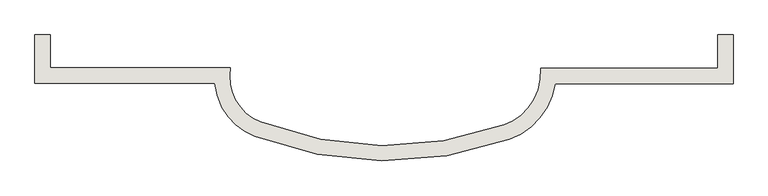
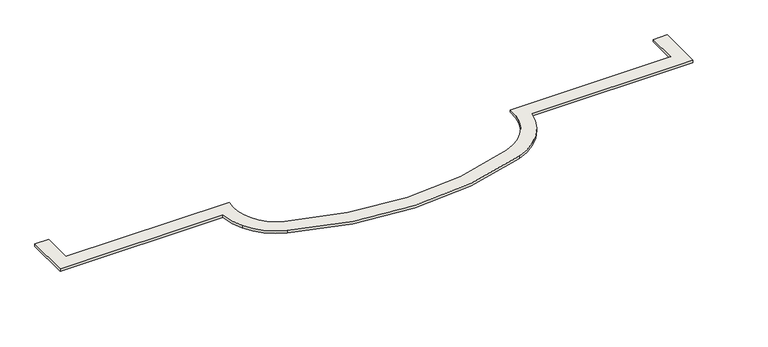
"""IFC4 building model written with IfcOpenShell, lengths in millimetres: wall geometry."""

from ifc_helpers import new_model, si_unit, point, frame, frame_2d, origin, place, context, project, spatial, polyline, circle_curve, trimmed, segment, composite_curve, outline, extrude, source, transform, mapped, element, save


def wall_85a489dc(model_context):
    return source(origin(), model_context, "Body", "SweptSolid", [
        extrude(outline(composite_curve([segment(trimmed(circle_curve(frame_2d((2030.7110004, 108294.2187902)), 1154.6073602), [point((3038.7036307, 107731.1299752))], [point((3181.9452306, 108382.4112137))], True, "CARTESIAN"), True, "CONTINUOUS"), segment(polyline([(3181.9452306, 108382.4112137), (6857.7904426, 108382.4112137), (6857.7904426, 109076.756795), (7176.3864821, 109076.756795), (7176.3864821, 108063.8151741), (3485.785717, 108063.8151741)]), True, "CONTINUOUS"), segment(trimmed(circle_curve(frame_2d((2030.7110004, 108294.2187902)), 1473.2033998), [point((3485.785717, 108063.8151741))], [point((3316.8436036, 107575.7543275))], False, "CARTESIAN"), True, "CONTINUOUS"), segment(trimmed(circle_curve(frame_2d((2030.7110004, 108294.2187902)), 1473.2033998), [point((3316.8436036, 107575.7543275))], [point((2532.9571548, 106909.2722))], False, "CARTESIAN"), True, "CONTINUOUS"), segment(trimmed(circle_curve(frame_2d((-20.4305669, 113950.2531766)), 7489.6730216), [point((2532.9571548, 106909.2722))], [point((-2747.7333569, 106974.794664))], False, "CARTESIAN"), True, "CONTINUOUS"), segment(trimmed(circle_curve(frame_2d((-2265.0370631, 108209.3579781)), 1325.572438), [point((-2747.7333569, 106974.794664))], [point((-3429.7149369, 107576.3747722))], False, "CARTESIAN"), True, "CONTINUOUS"), segment(trimmed(circle_curve(frame_2d((-2265.0370631, 108209.3579781)), 1325.572438), [point((-3429.7149369, 107576.3747722))], [point((-3584.1658911, 108078.8151741))], False, "CARTESIAN"), True, "CONTINUOUS"), segment(polyline([(-3584.1658911, 108078.8151741), (-7311.0960313, 108078.8151741), (-7311.0960313, 109076.756795), (-6992.4999917, 109076.756795), (-6992.4999917, 108397.4112137), (-3254.2981246, 108397.4112137)]), True, "CONTINUOUS"), segment(trimmed(circle_curve(frame_2d((-2265.0370631, 108209.3579781)), 1006.9763985), [point((-3254.2981246, 108397.4112137))], [point((-3149.789263, 107728.5097568))], True, "CARTESIAN"), True, "CONTINUOUS"), segment(trimmed(circle_curve(frame_2d((-2265.0370631, 108209.3579781)), 1006.9763985), [point((-3149.789263, 107728.5097568))], [point((-2631.7192311, 107271.5170242))], True, "CARTESIAN"), True, "CONTINUOUS"), segment(trimmed(circle_curve(frame_2d((-20.4305669, 113950.2531766)), 7171.076982), [point((-2631.7192311, 107271.5170242))], [point((2424.3410358, 107208.7817577))], True, "CARTESIAN"), True, "CONTINUOUS"), segment(trimmed(circle_curve(frame_2d((2030.7110004, 108294.2187902)), 1154.6073602), [point((2424.3410358, 107208.7817577))], [point((3038.7036307, 107731.1299752))], True, "CARTESIAN"), True, "CONTINUOUS")], self_intersect=False)), frame((0.0, 0.0, 4107.1722501), z_axis=(0.0, 0.0, 1.0), x_axis=(1.0, 0.0, 0.0)), (0.0, 0.0, 1.0), 59.2848492),
    ])


if __name__ == "__main__":
    model = new_model("IFC4")
    model_context = context("Model", 3, world=origin())
    ifc_project = project(units=[si_unit("LENGTHUNIT", "METRE", prefix="MILLI")], contexts=[model_context])
    site = spatial("IfcSite", under=ifc_project)
    building = spatial("IfcBuilding", under=site)
    placement = place(None, origin())
    wall_shape = wall_85a489dc(model_context)
    element("IfcWall", 1, at=placement, inside=building, context=model_context, shape_type="MappedRepresentation", body=[
        mapped(wall_shape, transform((0.0, 0.0, 0.0), x_axis=(1.0, 0.0, 0.0), y_axis=(0.0, 1.0, 0.0), z_axis=(0.0, 0.0, 1.0))),
    ])
    save(model, "model.ifc")
